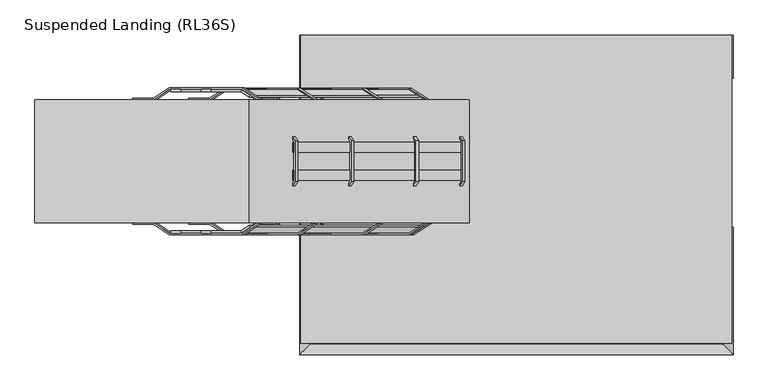
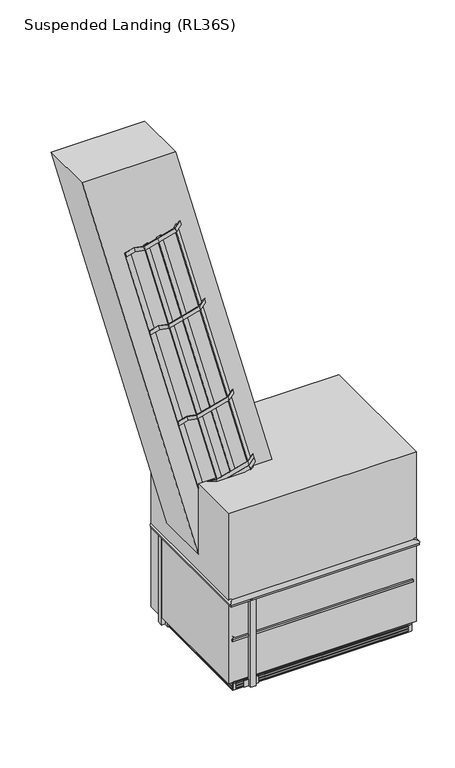
"""IFC4 building model written with IfcOpenShell, lengths in millimetres: proxy geometry, Suspended Landing (RL36S)."""

from ifc_helpers import new_model, si_unit, point, frame, frame_2d, origin, place, context, project, spatial, polyline, circle_curve, ellipse_curve, trimmed, segment, composite_curve, outline, extrude, faceted_brep, source, transform, mapped, element, save
from ifc_brep_helpers import plane_surface, cylinder_surface, advanced_brep


def suspended_landing_rl36s_c7733198(model_context):
    return source(origin(), model_context, "Body", "SolidModel", [
        extrude(outline(polyline([(258.5853144, -712.25), (297.0853144, -712.25), (297.0853144, -770.75), (258.5853144, -770.75), (258.5853144, -712.25)])), frame((0.0, 0.0, 4909.0), z_axis=(0.0, 0.0, 1.0), x_axis=(1.0, 0.0, 0.0)), (0.0, 0.0, 1.0), 1035.5),
        extrude(outline(polyline([(258.5853144, -661.5), (258.5853144, -821.5), (248.5853144, -821.5), (248.5853144, -661.5), (258.5853144, -661.5)])), frame((0.0, 0.0, 4904.0), z_axis=(0.0, 0.0, 1.0), x_axis=(1.0, 0.0, 0.0)), (0.0, 0.0, 1.0), 80.0),
        extrude(outline(polyline([(-1761.4146856, 12.75), (-1799.9146856, 12.75), (-1799.9146856, 71.25), (-1761.4146856, 71.25), (-1761.4146856, 12.75)])), frame((0.0, 0.0, 4909.0), z_axis=(0.0, 0.0, 1.0), x_axis=(1.0, 0.0, 0.0)), (0.0, 0.0, 1.0), 1035.5),
        extrude(outline(polyline([(-1761.4146856, -38.0), (-1761.4146856, 122.0), (-1751.4146856, 122.0), (-1751.4146856, -38.0), (-1761.4146856, -38.0)])), frame((0.0, 0.0, 4904.0), z_axis=(0.0, 0.0, 1.0), x_axis=(1.0, 0.0, 0.0)), (0.0, 0.0, 1.0), 80.0),
        extrude(outline(polyline([(258.5853144, 71.25), (297.0853144, 71.25), (297.0853144, 12.75), (258.5853144, 12.75), (258.5853144, 71.25)])), frame((0.0, 0.0, 4909.0), z_axis=(0.0, 0.0, 1.0), x_axis=(1.0, 0.0, 0.0)), (0.0, 0.0, 1.0), 1035.5),
        extrude(outline(polyline([(258.5853144, 122.0), (258.5853144, -38.0), (248.5853144, -38.0), (248.5853144, 122.0), (258.5853144, 122.0)])), frame((0.0, 0.0, 4904.0), z_axis=(0.0, 0.0, 1.0), x_axis=(1.0, 0.0, 0.0)), (0.0, 0.0, 1.0), 80.0),
        extrude(outline(polyline([(-1103.1646856, 93.5), (-1064.6646856, 93.5), (-1064.6646856, -1229.5), (-1103.1646856, -1229.5), (-1103.1646856, 93.5)])), frame((0.0, 0.0, 4925.5), z_axis=(0.0, 0.0, 1.0), x_axis=(1.0, 0.0, 0.0)), (0.0, 0.0, 1.0), 58.5),
        extrude(outline(polyline([(-1163.9146856, -1229.5), (-1003.9146856, -1229.5), (-1003.9146856, -1239.5), (-1163.9146856, -1239.5), (-1163.9146856, -1229.5)])), frame((0.0, 0.0, 4904.0), z_axis=(0.0, 0.0, 1.0), x_axis=(1.0, 0.0, 0.0)), (0.0, 0.0, 1.0), 80.0),
        extrude(outline(polyline([(-1163.9146856, 103.5), (-1003.9146856, 103.5), (-1003.9146856, 93.5), (-1163.9146856, 93.5), (-1163.9146856, 103.5)])), frame((0.0, 0.0, 4904.0), z_axis=(0.0, 0.0, 1.0), x_axis=(1.0, 0.0, 0.0)), (0.0, 0.0, 1.0), 80.0),
        extrude(outline(polyline([(-1522.1646856, -1288.0), (-1522.1646856, -1326.5), (-1580.6646856, -1326.5), (-1580.6646856, -1288.0), (-1522.1646856, -1288.0)])), frame((0.0, 0.0, 4909.0), z_axis=(0.0, 0.0, 1.0), x_axis=(1.0, 0.0, 0.0)), (0.0, 0.0, 1.0), 1035.5),
        extrude(outline(polyline([(-1471.4146856, -1288.0), (-1631.4146856, -1288.0), (-1631.4146856, -1278.0), (-1471.4146856, -1278.0), (-1471.4146856, -1288.0)])), frame((0.0, 0.0, 4904.0), z_axis=(0.0, 0.0, 1.0), x_axis=(1.0, 0.0, 0.0)), (0.0, 0.0, 1.0), 80.0),
        advanced_brep(
        [(-1727.1146856, 222.0, 5492.825729), (-1727.1146856, -1253.7, 5492.825729), (-1761.4146856, -1288.0, 5487.8343903), (-1761.4146856, 222.0, 5487.8343903), (-1727.1146856, -1253.7, 5507.591183), (-1727.1146856, 222.0, 5507.591183), (-1761.4146856, 222.0, 5512.5825217), (-1761.4146856, -1288.0, 5512.5825217), (258.5853144, -1288.0, 5512.5825217), (224.2853144, -1253.7, 5507.591183), (258.5853144, -1288.0, 5487.8343903), (224.2853144, -1253.7, 5492.825729), (224.2853144, -712.25, 5492.825729), (258.5853144, -712.25, 5487.8343903), (258.5853144, -712.25, 5512.5825217), (224.2853144, -712.25, 5507.591183), (-1731.1146856, 222.0, 5492.825729), (-1731.1146856, -1257.7, 5492.825729), (228.2853144, -1257.7, 5492.825729), (228.2853144, -712.25, 5492.825729), (228.2853144, -1257.7, 5507.591183), (228.2853144, -712.25, 5507.591183), (-1731.1146856, -1257.7, 5507.591183), (-1731.1146856, 222.0, 5507.591183)],
        [
            (0, 1),
            (1, 2, ellipse_curve(frame((-1745.7021906, -1272.287505, 5500.208456), z_axis=(-0.7071067811865475, 0.7071067811865475, 0.0), x_axis=(-0.7071067811865474, -0.7071067811865476, 0.0)), 28.2842712, 20.0)),
            (2, 3),
            (3, 0, circle_curve(frame((-1745.7021906, 222.0, 5500.208456), z_axis=(0.0, -1.0, 0.0), x_axis=(-1.0, 0.0, 0.0)), 20.0)),
            (4, 5),
            (5, 6, circle_curve(frame((-1745.7021906, 222.0, 5500.208456), z_axis=(0.0, -1.0, 0.0), x_axis=(-1.0, 0.0, 0.0)), 20.0)),
            (6, 7),
            (7, 4, ellipse_curve(frame((-1745.7021906, -1272.287505, 5500.208456), z_axis=(-0.7071067811865475, 0.7071067811865475, 0.0), x_axis=(-0.7071067811865474, -0.7071067811865476, 0.0)), 28.2842712, 20.0)),
            (8, 9, ellipse_curve(frame((242.8728194, -1272.287505, 5500.208456), z_axis=(-0.7071067811865475, -0.7071067811865475, 0.0), x_axis=(0.7071067811865476, -0.7071067811865474, 0.0)), 28.2842712, 20.0)),
            (9, 4),
            (7, 8),
            (10, 8),
            (7, 2),
            (2, 10),
            (10, 11, ellipse_curve(frame((242.8728194, -1272.287505, 5500.208456), z_axis=(0.7071067811865475, 0.7071067811865475, 0.0), x_axis=(-0.7071067811865474, 0.7071067811865476, 0.0)), 28.2842712, 20.0)),
            (11, 12),
            (12, 13, circle_curve(frame((242.8728194, -712.25, 5500.208456), z_axis=(0.0, -1.0, 0.0), x_axis=(1.0, 0.0, 0.0)), 20.0)),
            (13, 10),
            (8, 14),
            (14, 15, circle_curve(frame((242.8728194, -712.25, 5500.208456), z_axis=(0.0, -1.0, 0.0), x_axis=(1.0, 0.0, 0.0)), 20.0)),
            (15, 9),
            (13, 14),
            (11, 1),
            (0, 16),
            (16, 17),
            (17, 18),
            (18, 19),
            (19, 12),
            (18, 20),
            (20, 21),
            (21, 19),
            (20, 22),
            (22, 23),
            (23, 5),
            (15, 21),
            (17, 22),
            (6, 3),
            (16, 23),
        ],
        [
            cylinder_surface(frame((-1745.7021906, -1332.5, 5500.208456), z_axis=(0.0, -1.0, 0.0), x_axis=(-1.0, 0.0, 0.0)), 20.0),
            cylinder_surface(frame((303.0853144, -1272.287505, 5500.208456), z_axis=(1.0, 0.0, 0.0), x_axis=(0.0, -1.0, 0.0)), 20.0),
            plane_surface(frame((258.5853144, -1288.0, 5512.5825217), z_axis=(0.0, -1.0, 0.0), x_axis=(-1.0, 0.0, 0.0))),
            cylinder_surface(frame((242.8728194, 222.0, 5500.208456), z_axis=(0.0, 1.0, 0.0), x_axis=(1.0, 0.0, 0.0)), 20.0),
            plane_surface(frame((258.5853144, 222.0, 5512.5825217), z_axis=(1.0, 0.0, 0.0), x_axis=(0.0, -1.0, 0.0))),
            plane_surface(frame((224.2853144, 222.0, 5492.825729), z_axis=(0.0, 0.0, 1.0), x_axis=(0.0, -1.0, 0.0))),
            plane_surface(frame((228.2853144, 222.0, 5492.825729), z_axis=(-1.0, 0.0, 0.0), x_axis=(0.0, -1.0, 0.0))),
            plane_surface(frame((228.2853144, 222.0, 5507.591183), z_axis=(0.0, 0.0, -1.0), x_axis=(0.0, -1.0, 0.0))),
            plane_surface(frame((228.2853144, -1257.7, 5492.825729), z_axis=(0.0, 1.0, 0.0), x_axis=(-1.0, 0.0, 0.0))),
            plane_surface(frame((-1761.4146856, -1288.0, 5512.5825217), z_axis=(-1.0, 0.0, 0.0), x_axis=(0.0, 1.0, 0.0))),
            plane_surface(frame((-1731.1146856, -1257.7, 5492.825729), z_axis=(1.0, 0.0, 0.0), x_axis=(0.0, 1.0, 0.0))),
            plane_surface(frame((-1805.9146856, 222.0, 5990.0), z_axis=(0.0, 1.0, 0.0), x_axis=(0.0, 0.0, 1.0))),
            plane_surface(frame((205.0853144, -712.25, 5990.0), z_axis=(0.0, 1.0, 0.0), x_axis=(0.0, 0.0, -1.0))),
        ],
        [
            (0, [[1, 2, 3, 4]]),
            (0, [[5, 6, 7, 8]]),
            (1, [[9, 10, -8, 11]]),
            (2, [[12, -11, 13, 14]]),
            (3, [[15, 16, 17, 18]]),
            (3, [[-9, 19, 20, 21]]),
            (4, [[-12, -18, 22, -19]]),
            (5, [[23, -1, 24, 25, 26, 27, 28, -16]]),
            (6, [[29, 30, 31, -27]]),
            (7, [[32, 33, 34, -5, -10, -21, 35, -30]]),
            (1, [[-15, -14, -2, -23]]),
            (8, [[-26, 36, -32, -29]]),
            (9, [[-13, -7, 37, -3]]),
            (10, [[-25, 38, -33, -36]]),
            (11, [[-24, -4, -37, -6, -34, -38]]),
            (12, [[-20, -22, -17, -28, -31, -35]]),
        ],
    ),
        advanced_brep(
        [(258.5853144, 12.75, 5512.5825217), (224.2853144, 12.75, 5507.591183), (228.2853144, 12.75, 5507.591183), (228.2853144, 12.75, 5492.825729), (224.2853144, 12.75, 5492.825729), (258.5853144, 12.75, 5487.8343903), (224.2853144, 222.0, 5492.825729), (258.5853144, 222.0, 5487.8343903), (224.2853144, 222.0, 5507.591183), (258.5853144, 222.0, 5512.5825217), (228.2853144, 222.0, 5492.825729), (228.2853144, 222.0, 5507.591183)],
        [
            (0, 1, circle_curve(frame((242.8728194, 12.75, 5500.208456), z_axis=(0.0, -1.0, 0.0), x_axis=(1.0, 0.0, 0.0)), 20.0)),
            (1, 2),
            (2, 3),
            (3, 4),
            (4, 5, circle_curve(frame((242.8728194, 12.75, 5500.208456), z_axis=(0.0, -1.0, 0.0), x_axis=(1.0, 0.0, 0.0)), 20.0)),
            (5, 0),
            (6, 7, circle_curve(frame((242.8728194, 222.0, 5500.208456), z_axis=(0.0, -1.0, 0.0), x_axis=(1.0, 0.0, 0.0)), 20.0)),
            (7, 5),
            (4, 6),
            (8, 9, circle_curve(frame((242.8728194, 222.0, 5500.208456), z_axis=(0.0, 1.0, 0.0), x_axis=(1.0, 0.0, 0.0)), 20.0)),
            (9, 7),
            (6, 10),
            (10, 11),
            (11, 8),
            (8, 1),
            (0, 9),
            (3, 10),
            (2, 11),
        ],
        [
            plane_surface(frame((315.0853144, 12.75, 5990.0), z_axis=(0.0, -1.0, 0.0), x_axis=(0.0, 0.0, -1.0))),
            cylinder_surface(frame((242.8728194, 222.0, 5500.208456), z_axis=(0.0, 1.0, 0.0), x_axis=(1.0, 0.0, 0.0)), 20.0),
            plane_surface(frame((303.0853144, 222.0, 5990.0), z_axis=(0.0, 1.0, 0.0), x_axis=(0.0, 0.0, 1.0))),
            plane_surface(frame((258.5853144, 222.0, 5512.5825217), z_axis=(1.0, 0.0, 0.0), x_axis=(0.0, -1.0, 0.0))),
            plane_surface(frame((224.2853144, 222.0, 5492.825729), z_axis=(0.0, 0.0, 1.0), x_axis=(0.0, -1.0, 0.0))),
            plane_surface(frame((228.2853144, 222.0, 5492.825729), z_axis=(-1.0, 0.0, 0.0), x_axis=(0.0, -1.0, 0.0))),
            plane_surface(frame((228.2853144, 222.0, 5507.591183), z_axis=(0.0, 0.0, -1.0), x_axis=(0.0, -1.0, 0.0))),
        ],
        [
            (0, [[1, 2, 3, 4, 5, 6]]),
            (1, [[7, 8, -5, 9]]),
            (2, [[10, 11, -7, 12, 13, 14]]),
            (1, [[-10, 15, -1, 16]]),
            (3, [[-11, -16, -6, -8]]),
            (4, [[-12, -9, -4, 17]]),
            (5, [[-13, -17, -3, 18]]),
            (6, [[-14, -18, -2, -15]]),
        ],
    ),
        advanced_brep(
        [(278.0853144, 12.75, 5990.0), (257.0853144, 12.75, 5951.43534), (257.0853144, 12.75, 5933.0), (299.0853144, 12.75, 5933.0), (299.0853144, 12.75, 5951.43534), (257.0853144, 222.0, 5951.43534), (257.0853144, 222.0, 5933.0), (299.0853144, 222.0, 5951.43534), (299.0853144, 222.0, 5933.0)],
        [
            (0, 1, circle_curve(frame((278.0853144, 12.75, 5965.0), z_axis=(0.0, -1.0, 0.0), x_axis=(1.0, 0.0, 0.0)), 25.0)),
            (1, 2),
            (2, 3),
            (3, 4),
            (4, 0, circle_curve(frame((278.0853144, 12.75, 5965.0), z_axis=(0.0, -1.0, 0.0), x_axis=(1.0, 0.0, 0.0)), 25.0)),
            (5, 6),
            (6, 2),
            (1, 5),
            (5, 7, circle_curve(frame((278.0853144, 222.0, 5965.0), z_axis=(0.0, 1.0, 0.0), x_axis=(1.0, 0.0, 0.0)), 25.0)),
            (7, 8),
            (8, 6),
            (4, 7),
            (3, 8),
        ],
        [
            plane_surface(frame((315.0853144, 12.75, 5990.0), z_axis=(0.0, -1.0, 0.0), x_axis=(0.0, 0.0, -1.0))),
            plane_surface(frame((257.0853144, 222.0, 5933.0), z_axis=(-1.0, 0.0, 0.0), x_axis=(0.0, -1.0, 0.0))),
            plane_surface(frame((303.0853144, 222.0, 5990.0), z_axis=(0.0, 1.0, 0.0), x_axis=(0.0, 0.0, 1.0))),
            cylinder_surface(frame((278.0853144, 222.0, 5965.0), z_axis=(0.0, 1.0, 0.0), x_axis=(1.0, 0.0, 0.0)), 25.0),
            plane_surface(frame((299.0853144, 222.0, 5951.43534), z_axis=(1.0, 0.0, 0.0), x_axis=(0.0, -1.0, 0.0))),
            plane_surface(frame((299.0853144, 222.0, 5933.0), z_axis=(0.0, 0.0, -1.0), x_axis=(0.0, -1.0, 0.0))),
        ],
        [
            (0, [[1, 2, 3, 4, 5]]),
            (1, [[6, 7, -2, 8]]),
            (2, [[9, 10, 11, -6]]),
            (3, [[-9, -8, -1, -5, 12]]),
            (4, [[-10, -12, -4, 13]]),
            (5, [[-11, -13, -3, -7]]),
        ],
    ),
        faceted_brep([(238.5853144, 12.75, 5126.0), (225.5853144, 12.75, 5126.0), (225.5853144, 12.75, 5006.0), (238.5853144, 12.75, 5006.0), (225.5853144, 222.0, 5126.0), (225.5853144, 222.0, 5006.0), (238.5853144, 222.0, 5126.0), (238.5853144, 222.0, 5006.0)], [[[0, 1, 2, 3]], [[4, 5, 2, 1]], [[6, 4, 1, 0]], [[7, 6, 0, 3]], [[4, 6, 7, 5]], [[5, 7, 3, 2]]]),
        advanced_brep(
        [(-1801.9146856, -1328.5, 5951.43534), (-1759.9146856, -1286.5, 5951.43534), (-1759.9146856, 222.0, 5951.43534), (-1801.9146856, 222.0, 5951.43534), (299.0853144, -1328.5, 5951.43534), (257.0853144, -1286.5, 5951.43534), (299.0853144, -1328.5, 5933.0), (-1801.9146856, -1328.5, 5933.0), (257.0853144, -1286.5, 5933.0), (257.0853144, -712.25, 5951.43534), (257.0853144, -712.25, 5933.0), (299.0853144, -712.25, 5951.43534), (278.0853144, -712.25, 5990.0), (299.0853144, -712.25, 5933.0), (-1801.9146856, 222.0, 5933.0), (-1759.9146856, 222.0, 5933.0), (-1759.9146856, -1286.5, 5933.0)],
        [
            (0, 1, ellipse_curve(frame((-1780.9146856, -1307.5, 5965.0), z_axis=(-0.7071067811865475, 0.7071067811865475, 0.0), x_axis=(-0.7071067811865474, -0.7071067811865476, 0.0)), 35.3553391, 25.0)),
            (1, 2),
            (2, 3, circle_curve(frame((-1780.9146856, 222.0, 5965.0), z_axis=(0.0, -1.0, 0.0), x_axis=(-1.0, 0.0, 0.0)), 25.0)),
            (3, 0),
            (4, 5, ellipse_curve(frame((278.0853144, -1307.5, 5965.0), z_axis=(-0.7071067811865475, -0.7071067811865475, 0.0), x_axis=(0.7071067811865476, -0.7071067811865474, 0.0)), 35.3553391, 25.0)),
            (5, 1),
            (0, 4),
            (6, 4),
            (0, 7),
            (7, 6),
            (8, 5),
            (5, 9),
            (9, 10),
            (10, 8),
            (4, 11),
            (11, 12, circle_curve(frame((278.0853144, -712.25, 5965.0), z_axis=(0.0, -1.0, 0.0), x_axis=(1.0, 0.0, 0.0)), 25.0)),
            (12, 9, circle_curve(frame((278.0853144, -712.25, 5965.0), z_axis=(0.0, -1.0, 0.0), x_axis=(1.0, 0.0, 0.0)), 25.0)),
            (6, 13),
            (13, 11),
            (7, 14),
            (14, 15),
            (15, 16),
            (16, 8),
            (10, 13),
            (16, 1),
            (3, 14),
            (15, 2),
        ],
        [
            cylinder_surface(frame((-1780.9146856, -1332.5, 5965.0), z_axis=(0.0, -1.0, 0.0), x_axis=(-1.0, 0.0, 0.0)), 25.0),
            cylinder_surface(frame((303.0853144, -1307.5, 5965.0), z_axis=(1.0, 0.0, 0.0), x_axis=(0.0, -1.0, 0.0)), 25.0),
            plane_surface(frame((299.0853144, -1328.5, 5951.43534), z_axis=(0.0, -1.0, 0.0), x_axis=(-1.0, 0.0, 0.0))),
            plane_surface(frame((257.0853144, 222.0, 5933.0), z_axis=(-1.0, 0.0, 0.0), x_axis=(0.0, -1.0, 0.0))),
            cylinder_surface(frame((278.0853144, 222.0, 5965.0), z_axis=(0.0, 1.0, 0.0), x_axis=(1.0, 0.0, 0.0)), 25.0),
            plane_surface(frame((299.0853144, 222.0, 5951.43534), z_axis=(1.0, 0.0, 0.0), x_axis=(0.0, -1.0, 0.0))),
            plane_surface(frame((299.0853144, 222.0, 5933.0), z_axis=(0.0, 0.0, -1.0), x_axis=(0.0, -1.0, 0.0))),
            plane_surface(frame((257.0853144, -1286.5, 5933.0), z_axis=(0.0, 1.0, 0.0), x_axis=(-1.0, 0.0, 0.0))),
            plane_surface(frame((-1801.9146856, -1328.5, 5951.43534), z_axis=(-1.0, 0.0, 0.0), x_axis=(0.0, 1.0, 0.0))),
            plane_surface(frame((-1759.9146856, -1286.5, 5933.0), z_axis=(1.0, 0.0, 0.0), x_axis=(0.0, 1.0, 0.0))),
            plane_surface(frame((-1805.9146856, 222.0, 5990.0), z_axis=(0.0, 1.0, 0.0), x_axis=(0.0, 0.0, 1.0))),
            plane_surface(frame((205.0853144, -712.25, 5990.0), z_axis=(0.0, 1.0, 0.0), x_axis=(0.0, 0.0, -1.0))),
        ],
        [
            (0, [[1, 2, 3, 4]]),
            (1, [[5, 6, -1, 7]]),
            (2, [[8, -7, 9, 10]]),
            (3, [[11, 12, 13, 14]]),
            (4, [[-5, 15, 16, 17, -12]]),
            (5, [[-8, 18, 19, -15]]),
            (6, [[-10, 20, 21, 22, 23, -14, 24, -18]]),
            (7, [[-23, 25, -6, -11]]),
            (8, [[-20, -9, -4, 26]]),
            (9, [[-22, 27, -2, -25]]),
            (10, [[-21, -26, -3, -27]]),
            (11, [[-17, -16, -19, -24, -13]]),
        ],
    ),
        faceted_brep([(225.5853144, -1255.0, 5006.0), (225.5853144, -1255.0, 5126.0), (225.5853144, -712.25, 5126.0), (225.5853144, -712.25, 5006.0), (-1728.4146856, -1255.0, 5126.0), (-1728.4146856, 222.0, 5126.0), (-1741.4146856, 222.0, 5126.0), (-1741.4146856, -1268.0, 5126.0), (238.5853144, -1268.0, 5126.0), (238.5853144, -712.25, 5126.0), (238.5853144, -1268.0, 5006.0), (238.5853144, -712.25, 5006.0), (-1741.4146856, -1268.0, 5006.0), (-1741.4146856, 222.0, 5006.0), (-1728.4146856, 222.0, 5006.0), (-1728.4146856, -1255.0, 5006.0)], [[[0, 1, 2, 3]], [[1, 4, 5, 6, 7, 8, 9, 2]], [[8, 10, 11, 9]], [[10, 12, 13, 14, 15, 0, 3, 11]], [[8, 7, 12, 10]], [[4, 1, 0, 15]], [[7, 6, 13, 12]], [[5, 4, 15, 14]], [[6, 5, 14, 13]], [[2, 9, 11, 3]]]),
        extrude(outline(polyline([(0.25, 5990.0), (0.25, 5424.0), (-699.75, 5424.0), (-699.75, 5990.0), (0.25, 5990.0)]), holes=[polyline([(-641.75, 5932.0), (-641.75, 5482.0), (-57.75, 5482.0), (-57.75, 5932.0), (-641.75, 5932.0)])]), frame((259.0853144, 0.0, 0.0), z_axis=(1.0, 0.0, 0.0), x_axis=(0.0, 1.0, 0.0)), (0.0, 0.0, 1.0), 38.0),
        faceted_brep([(-1712.9146856, 139.0, 4911.0), (-1751.4146856, 139.0, 4911.0), (-1751.4146856, -1275.0, 4911.0), (-1712.9146856, -1275.0, 4911.0), (-1712.9146856, -1278.0, 4911.0), (210.0853144, -1278.0, 4911.0), (210.0853144, -1275.0, 4911.0), (248.5853144, -1275.0, 4911.0), (248.5853144, 139.0, 4911.0), (210.0853144, 139.0, 4911.0), (210.0853144, 142.0, 4911.0), (-1712.9146856, 142.0, 4911.0), (235.5853144, 129.0, 4911.0), (235.5853144, -1265.0, 4911.0), (-1738.4146856, -1265.0, 4911.0), (-1738.4146856, 129.0, 4911.0), (-1712.9146856, 142.0, 4904.0), (-1712.9146856, 139.0, 4904.0), (-1712.9146856, 139.0, 4949.0), (-1712.9146856, 139.0, 4967.0), (-1712.9146856, 142.0, 4967.0), (-1712.9146856, 142.0, 4949.0), (-1712.9146856, 139.0, 4921.0), (-1712.9146856, 139.0, 4939.0), (-1712.9146856, 142.0, 4939.0), (-1712.9146856, 142.0, 4921.0), (-1712.9146856, 139.0, 4984.0), (-1712.9146856, 142.0, 4984.0), (-1712.9146856, 142.0, 4977.0), (-1712.9146856, 139.0, 4977.0), (-1751.4146856, 139.0, 4967.0), (-1751.4146856, -1275.0, 4967.0), (-1712.9146856, -1275.0, 4967.0), (-1712.9146856, -1278.0, 4967.0), (210.0853144, -1278.0, 4967.0), (210.0853144, -1275.0, 4967.0), (248.5853144, -1275.0, 4967.0), (248.5853144, 139.0, 4967.0), (210.0853144, 139.0, 4967.0), (210.0853144, 142.0, 4967.0), (235.5853144, 129.0, 4967.0), (235.5853144, -1265.0, 4967.0), (-1738.4146856, -1265.0, 4967.0), (-1738.4146856, 129.0, 4967.0), (235.5853144, 129.0, 4977.0), (-1738.4146856, 129.0, 4977.0), (-1751.4146856, 139.0, 4921.0), (210.0853144, 142.0, 4921.0), (210.0853144, 139.0, 4921.0), (248.5853144, 139.0, 4921.0), (248.5853144, -1275.0, 4921.0), (210.0853144, -1275.0, 4921.0), (210.0853144, -1278.0, 4921.0), (-1712.9146856, -1278.0, 4921.0), (-1712.9146856, -1275.0, 4921.0), (-1751.4146856, -1275.0, 4921.0), (235.5853144, -1265.0, 4921.0), (235.5853144, 129.0, 4921.0), (-1738.4146856, 129.0, 4921.0), (-1738.4146856, -1265.0, 4921.0), (248.5853144, 139.0, 4949.0), (210.0853144, 139.0, 4949.0), (248.5853144, 139.0, 4939.0), (210.0853144, 139.0, 4939.0), (248.5853144, 139.0, 4904.0), (210.0853144, 139.0, 4904.0), (210.0853144, 139.0, 4984.0), (248.5853144, 139.0, 4984.0), (248.5853144, 139.0, 4977.0), (210.0853144, 139.0, 4977.0), (248.5853144, -1275.0, 4904.0), (248.5853144, -1275.0, 4984.0), (248.5853144, -1275.0, 4977.0), (248.5853144, -1275.0, 4949.0), (248.5853144, -1275.0, 4939.0), (-1712.9146856, -1239.5, 4984.0), (210.0853144, -1239.5, 4984.0), (210.0853144, -1239.5, 4904.0), (-1712.9146856, -1239.5, 4904.0), (-1751.4146856, -1275.0, 4939.0), (-1712.9146856, -1275.0, 4939.0), (-1751.4146856, -1275.0, 4904.0), (-1712.9146856, -1275.0, 4904.0), (-1712.9146856, -1275.0, 4984.0), (-1751.4146856, -1275.0, 4984.0), (-1751.4146856, -1275.0, 4977.0), (-1712.9146856, -1275.0, 4977.0), (-1751.4146856, -1275.0, 4949.0), (-1712.9146856, -1275.0, 4949.0), (210.0853144, 142.0, 4904.0), (210.0853144, -1275.0, 4904.0), (210.0853144, -1278.0, 4904.0), (-1712.9146856, -1278.0, 4904.0), (-1751.4146856, 139.0, 4904.0), (210.0853144, 103.5, 4904.0), (-1712.9146856, 103.5, 4904.0), (-1751.4146856, 139.0, 4984.0), (-1712.9146856, -1278.0, 4984.0), (210.0853144, -1278.0, 4984.0), (210.0853144, -1275.0, 4984.0), (210.0853144, 142.0, 4984.0), (210.0853144, 103.5, 4984.0), (-1712.9146856, 103.5, 4984.0), (-1751.4146856, 139.0, 4949.0), (-1751.4146856, 139.0, 4939.0), (-1751.4146856, 139.0, 4977.0), (210.0853144, -1275.0, 4977.0), (210.0853144, -1275.0, 4949.0), (210.0853144, -1275.0, 4939.0), (-1712.9146856, -1278.0, 4939.0), (-1712.9146856, -1278.0, 4977.0), (-1712.9146856, -1278.0, 4949.0), (210.0853144, -1278.0, 4949.0), (210.0853144, -1278.0, 4939.0), (210.0853144, -1278.0, 4977.0), (210.0853144, 142.0, 4939.0), (210.0853144, 142.0, 4977.0), (210.0853144, 142.0, 4949.0), (235.5853144, -1265.0, 4977.0), (-1738.4146856, -1265.0, 4977.0), (235.5853144, 129.0, 4949.0), (235.5853144, -1265.0, 4949.0), (235.5853144, -1265.0, 4939.0), (235.5853144, 129.0, 4939.0), (-1738.4146856, -1265.0, 4949.0), (-1738.4146856, -1265.0, 4939.0), (-1738.4146856, 129.0, 4949.0), (-1738.4146856, 129.0, 4939.0)], [[[0, 1, 2, 3, 4, 5, 6, 7, 8, 9, 10, 11], [12, 13, 14, 15]], [[16, 17, 0, 11]], [[18, 19, 20, 21]], [[22, 23, 24, 25]], [[26, 27, 28, 29]], [[19, 30, 31, 32, 33, 34, 35, 36, 37, 38, 39, 20], [40, 41, 42, 43]], [[44, 40, 43, 45]], [[46, 22, 25, 47, 48, 49, 50, 51, 52, 53, 54, 55], [56, 57, 58, 59]], [[37, 60, 61, 38]], [[62, 49, 48, 63]], [[64, 65, 9, 8]], [[66, 67, 68, 69]], [[70, 64, 8, 7]], [[67, 71, 72, 68]], [[36, 73, 60, 37]], [[74, 50, 49, 62]], [[75, 76, 77, 78]], [[79, 55, 54, 80]], [[81, 82, 3, 2]], [[83, 84, 85, 86]], [[31, 87, 88, 32]], [[17, 16, 89, 65, 64, 70, 90, 91, 92, 82, 81, 93], [94, 95, 78, 77]], [[26, 96, 84, 83, 97, 98, 99, 71, 67, 66, 100, 27], [101, 76, 75, 102]], [[17, 93, 1, 0]], [[19, 18, 103, 30]], [[23, 22, 46, 104]], [[96, 26, 29, 105]], [[93, 81, 2, 1]], [[30, 103, 87, 31]], [[84, 96, 105, 85]], [[104, 46, 55, 79]], [[90, 70, 7, 6]], [[71, 99, 106, 72]], [[35, 107, 73, 36]], [[108, 51, 50, 74]], [[76, 101, 94, 77]], [[102, 75, 78, 95]], [[101, 102, 95, 94]], [[80, 54, 53, 109]], [[82, 92, 4, 3]], [[97, 83, 86, 110]], [[32, 88, 111, 33]], [[33, 111, 112, 34]], [[109, 53, 52, 113]], [[92, 91, 5, 4]], [[98, 97, 110, 114]], [[99, 98, 114, 106]], [[91, 90, 6, 5]], [[107, 35, 34, 112]], [[51, 108, 113, 52]], [[63, 48, 47, 115]], [[65, 89, 10, 9]], [[100, 66, 69, 116]], [[38, 61, 117, 39]], [[39, 117, 21, 20]], [[115, 47, 25, 24]], [[89, 16, 11, 10]], [[27, 100, 116, 28]], [[44, 118, 41, 40]], [[57, 56, 13, 12]], [[41, 118, 119, 42]], [[13, 56, 59, 14]], [[42, 119, 45, 43]], [[14, 59, 58, 15]], [[105, 29, 28, 116, 69, 68, 72, 106, 114, 110, 86, 85], [118, 44, 45, 119]], [[57, 12, 15, 58]], [[120, 121, 122, 123]], [[122, 121, 124, 125]], [[125, 124, 126, 127]], [[103, 18, 21, 117, 61, 60, 73, 107, 112, 111, 88, 87], [121, 120, 126, 124]], [[23, 104, 79, 80, 109, 113, 108, 74, 62, 63, 115, 24], [123, 122, 125, 127]], [[120, 123, 127, 126]]]),
        extrude(outline(polyline([(248.5853144, 142.0), (248.5853144, -1278.0), (-1751.4146856, -1278.0), (-1751.4146856, 142.0), (248.5853144, 142.0)]), holes=[polyline([(189.5853144, 123.5), (-1692.4146856, 123.5), (-1692.4146856, -1259.5), (189.5853144, -1259.5), (189.5853144, 123.5)])]), frame((0.0, 0.0, 4984.0), z_axis=(0.0, 0.0, 1.0), x_axis=(1.0, 0.0, 0.0)), (0.0, 0.0, 1.0), 19.0),
        extrude(outline(polyline([(189.5853144, 123.5), (189.5853144, -1259.5), (-1692.4146856, -1259.5), (-1692.4146856, 123.5), (189.5853144, 123.5)])), frame((0.0, 0.0, 4984.0), z_axis=(0.0, 0.0, 1.0), x_axis=(1.0, 0.0, 0.0)), (0.0, 0.0, 1.0), 16.0),
        extrude(outline(polyline([(-1751.4146856, 142.0), (-1712.9146856, 142.0), (-1712.9146856, 139.0), (-1751.4146856, 139.0), (-1751.4146856, 142.0)])), frame((0.0, 0.0, 4904.0), z_axis=(0.0, 0.0, 1.0), x_axis=(1.0, 0.0, 0.0)), (0.0, 0.0, 1.0), 80.0),
        extrude(outline(polyline([(210.0853144, 142.0), (248.5853144, 142.0), (248.5853144, 139.0), (210.0853144, 139.0), (210.0853144, 142.0)])), frame((0.0, 0.0, 4904.0), z_axis=(0.0, 0.0, 1.0), x_axis=(1.0, 0.0, 0.0)), (0.0, 0.0, 1.0), 80.0),
        extrude(outline(polyline([(248.5853144, -1278.0), (210.0853144, -1278.0), (210.0853144, -1275.0), (248.5853144, -1275.0), (248.5853144, -1278.0)])), frame((0.0, 0.0, 4904.0), z_axis=(0.0, 0.0, 1.0), x_axis=(1.0, 0.0, 0.0)), (0.0, 0.0, 1.0), 80.0),
        extrude(outline(polyline([(-1712.9146856, -1278.0), (-1751.4146856, -1278.0), (-1751.4146856, -1275.0), (-1712.9146856, -1275.0), (-1712.9146856, -1278.0)])), frame((0.0, 0.0, 4904.0), z_axis=(0.0, 0.0, 1.0), x_axis=(1.0, 0.0, 0.0)), (0.0, 0.0, 1.0), 80.0),
        faceted_brep([(296.5853144, -1278.0, 7000.0), (296.5853144, -1278.0, 5000.0), (296.5853144, -712.25, 5000.0), (296.5853144, -712.25, 5990.0), (296.5853144, 12.75, 5990.0), (296.5853144, 12.75, 5000.0), (296.5853144, 222.0, 5000.0), (296.5853144, 222.0, 7000.0), (-1799.4146856, -1278.0, 5000.0), (-1799.4146856, 222.0, 5000.0), (205.0853144, 12.75, 5000.0), (205.0853144, -712.25, 5000.0), (-1799.4146856, 222.0, 7000.0), (-1799.4146856, -1278.0, 7000.0), (205.0853144, 12.75, 5990.0), (205.0853144, -712.25, 5990.0)], [[[0, 1, 2, 3, 4, 5, 6, 7]], [[8, 9, 6, 5, 10, 11, 2, 1]], [[0, 7, 12, 13]], [[14, 10, 5, 4]], [[13, 12, 9, 8]], [[1, 0, 13, 8]], [[7, 6, 9, 12]], [[15, 14, 4, 3]], [[14, 15, 11, 10]], [[11, 15, 3, 2]]]),
        extrude(outline(polyline([(93.4726835, 0.0), (200.3397115, 0.0), (508.9904877, -192.4528369), (550.1555665, -277.6331533), (637.7816912, -332.2706193), (634.6070834, -337.3619713), (545.5084226, -281.8063358), (504.3433439, -196.6260194), (198.6223694, -6.0), (93.6093924, -6.0), (93.4726835, 0.0)])), frame((-839.465113, -643.0, 6145.0286055), z_axis=(-0.2588190451025233, 0.0, 0.9659258262890678), x_axis=(-0.819644738667427, -0.5291012910595901, -0.21962314580635675)), (0.0, 0.0, 1.0), 50.0),
        extrude(outline(polyline([(0.0, 0.0), (12.0, 0.0), (12.0, -50.0), (0.0, -50.0), (0.0, 0.0)])), frame((-1300.2117322, -731.0, 6021.571921), z_axis=(-0.25881904510252324, 0.0, 0.9659258262890676), x_axis=(0.0, -1.0, 0.0)), (0.0, 0.0, 1.0), 1000.0),
        extrude(outline(polyline([(0.0, 155.1413289), (12.0, 155.1413289), (12.0, 105.1413289), (0.0, 105.1413289), (0.0, 155.1413289)])), frame((-1300.2117322, -731.0, 6021.571921), z_axis=(-0.25881904510252324, 0.0, 0.9659258262890676), x_axis=(0.0, -1.0, 0.0)), (0.0, 0.0, 1.0), 1000.0),
        extrude(outline(polyline([(-27.2832751, 345.6041694), (-17.100571, 351.953385), (9.3544935, 309.5254512), (-0.8282105, 303.1762357), (-27.2832751, 345.6041694)])), frame((-1300.2117322, -731.0, 6021.571921), z_axis=(-0.25881904510252324, 0.0, 0.9659258262890676), x_axis=(0.0, -1.0, 0.0)), (0.0, 0.0, 1.0), 1000.0),
        extrude(outline(polyline([(-14.2297192, 0.0), (-8.2281621, 0.0), (-10.6624744, -106.8392989), (-210.0960975, -411.0261264), (-296.1920067, -450.2402108), (-352.8113218, -536.5990181), (-357.8290387, -533.3092587), (-300.2582496, -445.4992124), (-214.1623404, -406.285128), (-16.6217984, -104.985729), (-14.2297192, 0.0)])), frame((-1157.5998774, -699.3376155, 7043.2970237), z_axis=(-0.2588190451025099, 0.0, 0.9659258262890713), x_axis=(0.529610590721753, -0.8362861558823576, 0.14190873008685906)), (0.0, 0.0, 1.0), 50.0),
        extrude(outline(polyline([(0.0, 0.0), (50.0, 0.0), (50.0, -12.0), (0.0, -12.0), (0.0, 0.0)])), frame((-1409.175761, -743.0, 7027.6512779), z_axis=(-0.25881904510252324, 0.0, 0.9659258262890676), x_axis=(-0.9659258262890676, 0.0, -0.25881904510252324)), (0.0, 0.0, 1.0), 3191.1047216),
        extrude(outline(polyline([(155.1413289, 0.0), (205.1413289, 0.0), (205.1413289, -12.0), (155.1413289, -12.0), (155.1413289, 0.0)])), frame((-1409.175761, -743.0, 7027.6512779), z_axis=(-0.25881904510252324, 0.0, 0.9659258262890676), x_axis=(-0.9659258262890676, 0.0, -0.25881904510252324)), (0.0, 0.0, 1.0), 3191.1047216),
        extrude(outline(polyline([(-689.6938017, 0.0), (-508.9999999, 0.0), (-326.6307118, -82.9303488), (-125.331423, -385.8857785), (-123.1191169, -480.465669), (-65.9701383, -566.4748818), (-70.9675427, -569.7954163), (-129.0768962, -482.3408393), (-131.2892023, -387.7609487), (-330.6777006, -87.6812588), (-510.3001578, -6.0), (-687.8821736, -6.0), (-851.4445075, -114.6792916), (-920.2481735, -278.3907082), (-914.5411146, -475.6303711), (-715.1526163, -775.7100611), (-628.8173361, -814.3942878), (-570.7079827, -901.8488647), (-575.7053871, -905.1693992), (-632.8543656, -819.1601865), (-719.1896458, -780.4759598), (-920.4889346, -477.5205301), (-926.2832673, -277.2646295), (-856.2739484, -110.6844829), (-689.6938017, 0.0)])), frame((-1595.6932752, -1066.9464732, 7878.9361835), z_axis=(-0.25881904510252324, 0.0, 0.9659258262890678), x_axis=(-0.5345650026725318, -0.8329007332923323, -0.14323626076804544)), (0.0, 0.0, 1.0), 50.0),
        extrude(outline(polyline([(-689.6938017, 0.0), (-509.0, 1e-07), (-326.6307118, -82.9303487), (-125.331423, -385.8857784), (-123.1191169, -480.465669), (-65.9701383, -566.4748818), (-70.9675427, -569.7954163), (-129.0768962, -482.3408392), (-131.2892023, -387.7609487), (-330.6777006, -87.6812587), (-510.3001578, -6.0), (-687.8821737, -5.9999999), (-851.4445076, -114.6792916), (-920.2481735, -278.3907081), (-914.5411146, -475.630371), (-715.1526164, -775.710061), (-628.8173362, -814.3942877), (-570.7079827, -901.8488647), (-575.7053871, -905.1693992), (-632.8543657, -819.1601864), (-719.1896459, -780.4759597), (-920.4889347, -477.52053), (-926.2832674, -277.2646294), (-856.2739484, -110.6844828), (-689.6938017, 0.0)])), frame((-1911.5954718, -1066.9464732, 9057.8992312), z_axis=(-0.25881904510252324, 0.0, 0.9659258262890678), x_axis=(-0.534565002672532, -0.832900733292332, -0.1432362607680455)), (0.0, 0.0, 1.0), 50.0),
        extrude(outline(polyline([(273.0, 0.0), (423.5, -100.0), (529.5, -270.0), (529.5, -633.735338), (479.0, -713.735338), (479.0, -817.0), (473.0, -817.0), (473.0, -712.0), (523.5, -632.0), (523.5, -271.7173422), (419.0965631, -104.277868), (271.1883719, -6.0), (74.8116281, -6.0), (-73.0965631, -104.277868), (-177.5, -271.7173422), (-177.5, -632.0), (-127.0, -712.0), (-127.0, -817.0), (-133.0, -817.0), (-133.0, -713.735338), (-183.5, -633.735338), (-183.5, -270.0), (-77.5, -100.0), (73.0, 0.0), (273.0, 0.0)])), frame((-1001.6915755, -219.5, 7136.8363363), z_axis=(-0.25881904510252324, 0.0, 0.9659258262890676), x_axis=(0.0, -1.0, 0.0)), (0.0, 0.0, 1.0), 50.0),
        extrude(outline(polyline([(-6.613021, 0.0), (5.3869789, 0.0), (5.3869789, -50.0), (-6.613021, -50.0), (-6.613021, 0.0)])), frame((-1013.8748183, -485.6883719, 7133.5718462), z_axis=(-0.25881904510252324, 0.0, 0.9659258262890676), x_axis=(-0.9659258262890676, 0.0, -0.25881904510252324)), (0.0, 0.0, 1.0), 3191.1047216),
        extrude(outline(polyline([(218.7828095, 218.028353), (212.433594, 228.2110571), (254.8615278, 254.6661216), (261.2107432, 244.4834176), (218.7828095, 218.028353)])), frame((-1013.8748183, -485.6883719, 7133.5718462), z_axis=(-0.25881904510252324, 0.0, 0.9659258262890676), x_axis=(-0.9659258262890676, 0.0, -0.25881904510252324)), (0.0, 0.0, 1.0), 3191.1047216),
        extrude(outline(polyline([(61.2266141, 107.0986509), (88.8977348, 148.7436876), (98.8925436, 142.1026186), (71.2214229, 100.4575819), (61.2266141, 107.0986509)])), frame((-1013.8748183, -485.6883719, 7133.5718462), z_axis=(-0.25881904510252324, 0.0, 0.9659258262890676), x_axis=(-0.9659258262890676, 0.0, -0.25881904510252324)), (0.0, 0.0, 1.0), 3191.1047216),
        extrude(outline(polyline([(-6.613021, -186.3767438), (-6.613021, -136.3767438), (5.3869789, -136.3767438), (5.3869789, -186.3767438), (-6.613021, -186.3767438)])), frame((-1013.8748183, -485.6883719, 7133.5718462), z_axis=(-0.25881904510252324, 0.0, 0.9659258262890676), x_axis=(-0.9659258262890676, 0.0, -0.25881904510252324)), (0.0, 0.0, 1.0), 3191.1047216),
        extrude(outline(polyline([(218.7828095, -404.4050968), (261.2107432, -430.8601614), (254.8615278, -441.0428654), (212.433594, -414.5878009), (218.7828095, -404.4050968)])), frame((-1013.8748183, -485.6883719, 7133.5718462), z_axis=(-0.25881904510252324, 0.0, 0.9659258262890676), x_axis=(-0.9659258262890676, 0.0, -0.25881904510252324)), (0.0, 0.0, 1.0), 3191.1047216),
        extrude(outline(polyline([(61.2266141, -293.4753947), (71.2214229, -286.8343257), (98.8925436, -328.4793624), (88.8977348, -335.1204314), (61.2266141, -293.4753947)])), frame((-1013.8748183, -485.6883719, 7133.5718462), z_axis=(-0.25881904510252324, 0.0, 0.9659258262890676), x_axis=(-0.9659258262890676, 0.0, -0.25881904510252324)), (0.0, 0.0, 1.0), 3191.1047216),
        extrude(outline(polyline([(409.2456501, -443.6883719), (409.2456501, -431.6883719), (459.2456501, -431.6883719), (459.2456501, -443.6883719), (409.2456501, -443.6883719)])), frame((-1013.8748183, -485.6883719, 7133.5718462), z_axis=(-0.25881904510252324, 0.0, 0.9659258262890676), x_axis=(-0.9659258262890676, 0.0, -0.25881904510252324)), (0.0, 0.0, 1.0), 3191.1047216),
        extrude(outline(polyline([(564.3869789, -443.6883719), (564.3869789, -431.6883719), (614.3869789, -431.6883719), (614.3869789, -443.6883719), (564.3869789, -443.6883719)])), frame((-1013.8748183, -485.6883719, 7133.5718462), z_axis=(-0.25881904510252324, 0.0, 0.9659258262890676), x_axis=(-0.9659258262890676, 0.0, -0.25881904510252324)), (0.0, 0.0, 1.0), 3191.1047216),
        extrude(outline(polyline([(-689.6938017, 0.0), (-508.9999999, 0.0), (-326.6307118, -82.9303487), (-125.331423, -385.8857785), (-123.1191169, -480.465669), (-65.9701383, -566.4748818), (-70.9675427, -569.7954163), (-129.0768962, -482.3408393), (-131.2892023, -387.7609487), (-330.6777006, -87.6812588), (-510.3001578, -6.0), (-687.8821736, -6.0), (-851.4445075, -114.6792916), (-920.2481735, -278.3907082), (-914.5411146, -475.6303711), (-715.1526163, -775.7100611), (-628.8173361, -814.3942878), (-570.7079827, -901.8488647), (-575.7053871, -905.1693992), (-632.8543656, -819.1601865), (-719.1896458, -780.4759598), (-920.4889347, -477.52053), (-926.2832673, -277.2646295), (-856.2739484, -110.6844828), (-689.6938017, 0.0)])), frame((-2183.3554691, -1066.9464732, 10072.1213488), z_axis=(-0.25881904510252324, 0.0, 0.9659258262890678), x_axis=(-0.5345650026725319, -0.832900733292332, -0.14323626076804546)), (0.0, 0.0, 1.0), 50.0),
        extrude(outline(composite_curve([segment(polyline([(8702.2309842, -2217.7828281), (8718.6517232, -2222.1827518)]), True, "CONTINUOUS"), segment(trimmed(circle_curve(frame_2d((8700.2991222, -2240.5589013)), 25.9711538), [point((8718.6517232, -2222.1827518))], [point((8707.0048662, -2265.649414))], False, "CARTESIAN"), True, "CONTINUOUS"), segment(polyline([(8707.0048662, -2265.649414), (8690.5841271, -2261.2494903), (8702.2309842, -2217.7828281)]), True, "CONTINUOUS")], self_intersect=False)), frame((0.0, -654.5, 0.0), z_axis=(0.0, 1.0, 0.0), x_axis=(0.0, 0.0, 1.0)), (0.0, 0.0, 1.0), 524.0),
        extrude(outline(composite_curve([segment(polyline([(8427.6163146, -2144.2000491), (8444.0370537, -2148.5999729)]), True, "CONTINUOUS"), segment(trimmed(circle_curve(frame_2d((8425.6844527, -2166.9761223)), 25.9711538), [point((8444.0370537, -2148.5999729))], [point((8432.3901966, -2192.0666351))], False, "CARTESIAN"), True, "CONTINUOUS"), segment(polyline([(8432.3901966, -2192.0666351), (8415.9694576, -2187.6667113), (8427.6163146, -2144.2000491)]), True, "CONTINUOUS")], self_intersect=False)), frame((0.0, -654.5, 0.0), z_axis=(0.0, 1.0, 0.0), x_axis=(0.0, 0.0, 1.0)), (0.0, 0.0, 1.0), 524.0),
        extrude(outline(composite_curve([segment(polyline([(8153.0016451, -2070.6172702), (8169.4223841, -2075.017194)]), True, "CONTINUOUS"), segment(trimmed(circle_curve(frame_2d((8151.0697831, -2093.3933434)), 25.9711538), [point((8169.4223841, -2075.017194))], [point((8157.7755271, -2118.4838562))], False, "CARTESIAN"), True, "CONTINUOUS"), segment(polyline([(8157.7755271, -2118.4838562), (8141.354788, -2114.0839324), (8153.0016451, -2070.6172702)]), True, "CONTINUOUS")], self_intersect=False)), frame((0.0, -654.5, 0.0), z_axis=(0.0, 1.0, 0.0), x_axis=(0.0, 0.0, 1.0)), (0.0, 0.0, 1.0), 524.0),
        extrude(outline(composite_curve([segment(polyline([(7878.3869755, -1997.0344913), (7894.8077146, -2001.434415)]), True, "CONTINUOUS"), segment(trimmed(circle_curve(frame_2d((7876.4551135, -2019.8105645)), 25.9711538), [point((7894.8077146, -2001.434415))], [point((7883.1608575, -2044.9010772))], False, "CARTESIAN"), True, "CONTINUOUS"), segment(polyline([(7883.1608575, -2044.9010772), (7866.7401185, -2040.5011535), (7878.3869755, -1997.0344913)]), True, "CONTINUOUS")], self_intersect=False)), frame((0.0, -654.5, 0.0), z_axis=(0.0, 1.0, 0.0), x_axis=(0.0, 0.0, 1.0)), (0.0, 0.0, 1.0), 524.0),
        extrude(outline(composite_curve([segment(polyline([(7603.772306, -1923.4517123), (7620.193045, -1927.8516361)]), True, "CONTINUOUS"), segment(trimmed(circle_curve(frame_2d((7601.840444, -1946.2277855)), 25.9711538), [point((7620.193045, -1927.8516361))], [point((7608.546188, -1971.3182983))], False, "CARTESIAN"), True, "CONTINUOUS"), segment(polyline([(7608.546188, -1971.3182983), (7592.1254489, -1966.9183745), (7603.772306, -1923.4517123)]), True, "CONTINUOUS")], self_intersect=False)), frame((0.0, -654.5, 0.0), z_axis=(0.0, 1.0, 0.0), x_axis=(0.0, 0.0, 1.0)), (0.0, 0.0, 1.0), 524.0),
        extrude(outline(composite_curve([segment(polyline([(7329.1576364, -1849.8689334), (7345.5783755, -1854.2688572)]), True, "CONTINUOUS"), segment(trimmed(circle_curve(frame_2d((7327.2257744, -1872.6450066)), 25.9711538), [point((7345.5783755, -1854.2688572))], [point((7333.9315184, -1897.7355193))], False, "CARTESIAN"), True, "CONTINUOUS"), segment(polyline([(7333.9315184, -1897.7355193), (7317.5107794, -1893.3355956), (7329.1576364, -1849.8689334)]), True, "CONTINUOUS")], self_intersect=False)), frame((0.0, -654.5, 0.0), z_axis=(0.0, 1.0, 0.0), x_axis=(0.0, 0.0, 1.0)), (0.0, 0.0, 1.0), 524.0),
        extrude(outline(composite_curve([segment(polyline([(7054.5429669, -1776.2861545), (7070.9637059, -1780.6860782)]), True, "CONTINUOUS"), segment(trimmed(circle_curve(frame_2d((7052.6111049, -1799.0622277)), 25.9711538), [point((7070.9637059, -1780.6860782))], [point((7059.3168489, -1824.1527404))], False, "CARTESIAN"), True, "CONTINUOUS"), segment(polyline([(7059.3168489, -1824.1527404), (7042.8961098, -1819.7528166), (7054.5429669, -1776.2861545)]), True, "CONTINUOUS")], self_intersect=False)), frame((0.0, -654.5, 0.0), z_axis=(0.0, 1.0, 0.0), x_axis=(0.0, 0.0, 1.0)), (0.0, 0.0, 1.0), 524.0),
        extrude(outline(composite_curve([segment(polyline([(6779.9282973, -1702.7033755), (6796.3490363, -1707.1032993)]), True, "CONTINUOUS"), segment(trimmed(circle_curve(frame_2d((6777.9964353, -1725.4794487)), 25.9711538), [point((6796.3490363, -1707.1032993))], [point((6784.7021793, -1750.5699615))], False, "CARTESIAN"), True, "CONTINUOUS"), segment(polyline([(6784.7021793, -1750.5699615), (6768.2814403, -1746.1700377), (6779.9282973, -1702.7033755)]), True, "CONTINUOUS")], self_intersect=False)), frame((0.0, -654.5, 0.0), z_axis=(0.0, 1.0, 0.0), x_axis=(0.0, 0.0, 1.0)), (0.0, 0.0, 1.0), 524.0),
        extrude(outline(composite_curve([segment(polyline([(6505.3136277, -1629.1205966), (6521.7343668, -1633.5205204)]), True, "CONTINUOUS"), segment(trimmed(circle_curve(frame_2d((6503.3817658, -1651.8966698)), 25.9711538), [point((6521.7343668, -1633.5205204))], [point((6510.0875098, -1676.9871825))], False, "CARTESIAN"), True, "CONTINUOUS"), segment(polyline([(6510.0875098, -1676.9871825), (6493.6667707, -1672.5872588), (6505.3136277, -1629.1205966)]), True, "CONTINUOUS")], self_intersect=False)), frame((0.0, -654.5, 0.0), z_axis=(0.0, 1.0, 0.0), x_axis=(0.0, 0.0, 1.0)), (0.0, 0.0, 1.0), 524.0),
        extrude(outline(composite_curve([segment(polyline([(6230.6989582, -1555.5378177), (6247.1196972, -1559.9377414)]), True, "CONTINUOUS"), segment(trimmed(circle_curve(frame_2d((6228.7670962, -1578.3138909)), 25.9711538), [point((6247.1196972, -1559.9377414))], [point((6235.4728402, -1603.4044036))], False, "CARTESIAN"), True, "CONTINUOUS"), segment(polyline([(6235.4728402, -1603.4044036), (6219.0521012, -1599.0044798), (6230.6989582, -1555.5378177)]), True, "CONTINUOUS")], self_intersect=False)), frame((0.0, -654.5, 0.0), z_axis=(0.0, 1.0, 0.0), x_axis=(0.0, 0.0, 1.0)), (0.0, 0.0, 1.0), 524.0),
        extrude(outline(composite_curve([segment(polyline([(5956.0842886, -1481.9550387), (5972.5050277, -1486.3549625)]), True, "CONTINUOUS"), segment(trimmed(circle_curve(frame_2d((5954.1524267, -1504.7311119)), 25.9711538), [point((5972.5050277, -1486.3549625))], [point((5960.8581707, -1529.8216247))], False, "CARTESIAN"), True, "CONTINUOUS"), segment(polyline([(5960.8581707, -1529.8216247), (5944.4374316, -1525.4217009), (5956.0842886, -1481.9550387)]), True, "CONTINUOUS")], self_intersect=False)), frame((0.0, -654.5, 0.0), z_axis=(0.0, 1.0, 0.0), x_axis=(0.0, 0.0, 1.0)), (0.0, 0.0, 1.0), 524.0),
        extrude(outline(composite_curve([segment(polyline([(5681.4696191, -1408.3722598), (5697.8903581, -1412.7721835)]), True, "CONTINUOUS"), segment(trimmed(circle_curve(frame_2d((5679.5377571, -1431.148333)), 25.9711538), [point((5697.8903581, -1412.7721835))], [point((5686.2435011, -1456.2388457))], False, "CARTESIAN"), True, "CONTINUOUS"), segment(polyline([(5686.2435011, -1456.2388457), (5669.8227621, -1451.838922), (5681.4696191, -1408.3722598)]), True, "CONTINUOUS")], self_intersect=False)), frame((0.0, -654.5, 0.0), z_axis=(0.0, 1.0, 0.0), x_axis=(0.0, 0.0, 1.0)), (0.0, 0.0, 1.0), 524.0),
        extrude(outline(composite_curve([segment(polyline([(5406.8549495, -1334.7894808), (5423.2756886, -1339.1894046)]), True, "CONTINUOUS"), segment(trimmed(circle_curve(frame_2d((5404.9230876, -1357.565554)), 25.9711538), [point((5423.2756886, -1339.1894046))], [point((5411.6288315, -1382.6560668))], False, "CARTESIAN"), True, "CONTINUOUS"), segment(polyline([(5411.6288315, -1382.6560668), (5395.2080925, -1378.256143), (5406.8549495, -1334.7894808)]), True, "CONTINUOUS")], self_intersect=False)), frame((0.0, -654.5, 0.0), z_axis=(0.0, 1.0, 0.0), x_axis=(0.0, 0.0, 1.0)), (0.0, 0.0, 1.0), 524.0),
        extrude(outline(composite_curve([segment(polyline([(8976.8456537, -2291.365607), (8993.2663928, -2295.7655308)]), True, "CONTINUOUS"), segment(trimmed(circle_curve(frame_2d((8974.9137918, -2314.1416802)), 25.9711538), [point((8993.2663928, -2295.7655308))], [point((8981.6195357, -2339.232193))], False, "CARTESIAN"), True, "CONTINUOUS"), segment(polyline([(8981.6195357, -2339.232193), (8965.1987967, -2334.8322692), (8976.8456537, -2291.365607)]), True, "CONTINUOUS")], self_intersect=False)), frame((0.0, -654.5, 0.0), z_axis=(0.0, 1.0, 0.0), x_axis=(0.0, 0.0, 1.0)), (0.0, 0.0, 1.0), 524.0),
        extrude(outline(composite_curve([segment(polyline([(5132.24028, -1261.2067019), (5148.661019, -1265.6066257)]), True, "CONTINUOUS"), segment(trimmed(circle_curve(frame_2d((5130.308418, -1283.9827751)), 25.9711538), [point((5148.661019, -1265.6066257))], [point((5137.014162, -1309.0732879))], False, "CARTESIAN"), True, "CONTINUOUS"), segment(polyline([(5137.014162, -1309.0732879), (5120.5934229, -1304.6733641), (5132.24028, -1261.2067019)]), True, "CONTINUOUS")], self_intersect=False)), frame((0.0, -654.5, 0.0), z_axis=(0.0, 1.0, 0.0), x_axis=(0.0, 0.0, 1.0)), (0.0, 0.0, 1.0), 524.0),
        extrude(outline(polyline([(-38.0, 0.0), (0.0, 0.0), (0.0, -58.0), (-38.0, -58.0), (-38.0, 0.0)])), frame((-1223.8698986, -130.5, 5018.0115046), z_axis=(-0.25881904510250986, 0.0, 0.9659258262890712), x_axis=(0.0, -1.0, 0.0)), (0.0, 0.0, 1.0), 5180.2283665),
        extrude(outline(polyline([(-38.0, 0.0), (0.0, 0.0), (0.0, -58.0), (-38.0, -58.0), (-38.0, 0.0)])), frame((-1223.8698986, -692.5, 5018.0115046), z_axis=(-0.25881904510250986, 0.0, 0.9659258262890712), x_axis=(0.0, -1.0, 0.0)), (0.0, 0.0, 1.0), 5180.2283665),
        faceted_brep([(-1029.0667397, -696.0, 5000.0), (-1029.0667397, -643.0, 5000.0), (-1029.0667397, -643.0, 5003.0), (-1029.0667397, -693.0, 5003.0), (-1029.0667397, -696.0, 5003.0), (-1389.0667397, -693.0, 5003.0), (-1389.0667397, -643.0, 5003.0), (-1389.0667397, -643.0, 5000.0), (-1389.0667397, -696.0, 5000.0), (-1389.0667397, -696.0, 5003.0), (-1076.0667397, -693.0, 5050.0), (-1342.0667397, -693.0, 5050.0), (-1342.0667397, -696.0, 5050.0), (-1076.0667397, -696.0, 5050.0)], [[[0, 1, 2, 3, 4]], [[5, 6, 7, 8, 9]], [[10, 11, 12, 13]], [[8, 0, 4, 13, 12, 9]], [[1, 0, 8, 7]], [[2, 1, 7, 6]], [[3, 2, 6, 5]], [[3, 5, 11, 10]], [[5, 9, 12, 11]], [[4, 3, 10, 13]]]),
        faceted_brep([(-1029.0667397, -92.0, 5003.0), (-1029.0667397, -142.0, 5003.0), (-1029.0667397, -142.0, 5000.0), (-1029.0667397, -89.0, 5000.0), (-1029.0667397, -89.0, 5003.0), (-1389.0667397, -89.0, 5000.0), (-1389.0667397, -142.0, 5000.0), (-1389.0667397, -142.0, 5003.0), (-1389.0667397, -92.0, 5003.0), (-1389.0667397, -89.0, 5003.0), (-1342.0667397, -89.0, 5050.0), (-1076.0667397, -89.0, 5050.0), (-1342.0667397, -92.0, 5050.0), (-1076.0667397, -92.0, 5050.0)], [[[0, 1, 2, 3, 4]], [[5, 6, 7, 8, 9]], [[1, 0, 8, 7]], [[2, 1, 7, 6]], [[3, 2, 6, 5]], [[3, 5, 9, 10, 11, 4]], [[11, 10, 12, 13]], [[8, 0, 13, 12]], [[9, 8, 12, 10]], [[0, 4, 11, 13]]]),
        extrude(outline(polyline([(5000.0, -442.5865952), (11000.0, -2050.2817498), (11000.0, -3093.8401396), (5000.0, -1486.1449851), (5000.0, -442.5865952)])), frame((0.0, -692.5, 0.0), z_axis=(0.0, 1.0, 0.0), x_axis=(0.0, 0.0, 1.0)), (0.0, 0.0, 1.0), 600.0),
    ])


if __name__ == "__main__":
    model = new_model("IFC4")
    model_context = context("Model", 3, world=origin())
    ifc_project = project(units=[si_unit("LENGTHUNIT", "METRE", prefix="MILLI")], contexts=[model_context])
    site = spatial("IfcSite", under=ifc_project)
    building = spatial("IfcBuilding", under=site)
    placement = place(None, origin())
    suspended_landing_rl36s_shape = suspended_landing_rl36s_c7733198(model_context)
    element("IfcBuildingElementProxy", 1, Name="Suspended Landing (RL36S)", ObjectType="Suspended Landing (RL36S)", at=placement, inside=building, context=model_context, shape_type="MappedRepresentation", body=[
        mapped(suspended_landing_rl36s_shape, transform((0.0, 0.0, 0.0), x_axis=(1.0, 0.0, 0.0), y_axis=(0.0, 1.0, 0.0), z_axis=(0.0, 0.0, 1.0))),
    ])
    save(model, "model.ifc")
